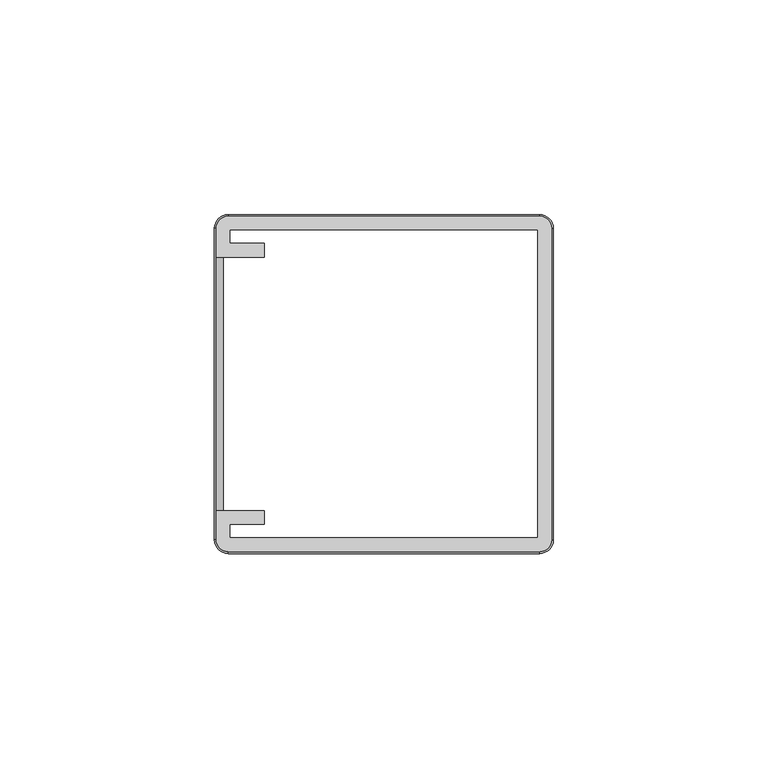
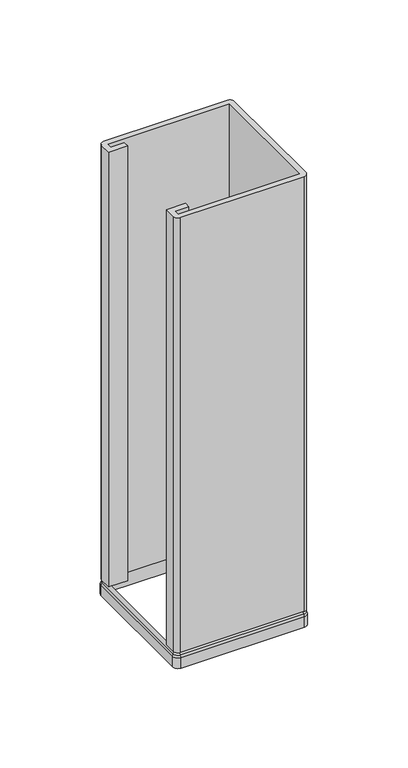
"""IFC4 building model written with IfcOpenShell, lengths in millimetres: furniture geometry."""

from ifc_helpers import new_model, si_unit, point, frame, frame_2d, origin, place, context, project, spatial, polyline, circle_curve, trimmed, segment, composite_curve, outline, extrude, source, transform, mapped, element, save
from ifc_brep_helpers import plane_surface, cylinder_surface, revolved_surface, advanced_brep


def furniture_345973ff(model_context):
    return source(origin(), model_context, "Body", "SolidModel", [
        advanced_brep(
        [(39.4985875, 36.3108875, 870.9421875), (36.3331141, 39.4985875, 870.9421875), (36.3331141, 39.4985875, 877.2686035), (39.4985875, 36.3108875, 877.2686035), (37.4968306, 36.3108875, 880.4671875), (36.319108, 37.4968796, 880.4671875), (36.319108, 37.4968796, 870.9421875), (37.4968306, 36.3108875, 870.9421875), (39.0605182, 36.3108875, 878.9035002), (36.330049, 39.0605289, 878.9035002), (39.4985875, -36.3331141, 877.2686035), (39.4985875, -36.3331141, 870.9421875), (37.4968306, -36.3331141, 870.9421875), (37.4968306, -36.3331141, 880.4671875), (39.0605182, -36.3331141, 878.9035002), (36.3331141, -39.4985875, 870.9421875), (36.3331141, -39.4985875, 877.2686035), (36.3331141, -37.4968306, 880.4671875), (36.3331141, -37.4968306, 870.9421875), (36.3331141, -39.0605182, 878.9035002), (-36.3108875, -39.4985875, 877.2686035), (-36.3108875, -39.4985875, 870.9421875), (-36.3108875, -37.4968306, 870.9421875), (-36.3108875, -37.4968306, 880.4671875), (-36.3108875, -39.0605182, 878.9035002), (-39.4985875, -36.3331141, 870.9421875), (-39.4985875, -36.3331141, 877.2686035), (-37.4968796, -36.319108, 880.4671875), (-37.4968796, -36.319108, 870.9421875), (-39.0605289, -36.330049, 878.9035002), (-39.4985875, 36.3108875, 877.2686035), (-39.4985875, 36.3108875, 870.9421875), (-37.4968306, 36.3108875, 870.9421875), (-37.4968306, 36.3108875, 880.4671875), (-39.0605182, 36.3108875, 878.9035002), (-36.3108875, 39.4985875, 870.9421875), (-36.3108875, 39.4985875, 877.2686035), (-36.3108875, 37.4968306, 880.4671875), (-36.3108875, 37.4968306, 870.9421875), (-36.3108875, 39.0605182, 878.9035002)],
        [
            (0, 1, circle_curve(frame((36.3108095, 36.3108875, 870.9421875), z_axis=(0.0, 0.0, 1.0), x_axis=(0.006996923640459943, 0.9999755212301797, 0.0)), 3.187778)),
            (1, 2),
            (2, 3, circle_curve(frame((36.3108095, 36.3108875, 877.2686035), z_axis=(0.0, 0.0, -1.0), x_axis=(0.006996923640459943, 0.9999755212301797, 0.0)), 3.187778)),
            (3, 0),
            (4, 5, circle_curve(frame((36.3108095, 36.3108875, 880.4671875), z_axis=(0.0, 0.0, 1.0), x_axis=(0.006996923640459943, 0.9999755212301797, 0.0)), 1.1860211)),
            (5, 6),
            (6, 7, circle_curve(frame((36.3108095, 36.3108875, 870.9421875), z_axis=(0.0, 0.0, -1.0), x_axis=(0.006996923640459943, 0.9999755212301797, 0.0)), 1.1860211)),
            (7, 4),
            (8, 9, circle_curve(frame((36.3108095, 36.3108875, 878.9035002), z_axis=(0.0, 0.0, 1.0), x_axis=(0.006996923640459943, 0.9999755212301797, 0.0)), 2.7497086)),
            (9, 5),
            (4, 8),
            (2, 9),
            (8, 3),
            (3, 10),
            (10, 11),
            (11, 0),
            (7, 12),
            (12, 13),
            (13, 4),
            (13, 14),
            (14, 8),
            (14, 10),
            (15, 11, circle_curve(frame((36.3331141, -36.3331141, 870.9421875), z_axis=(0.0, 0.0, 1.0), x_axis=(1.0, 0.0, 0.0)), 3.1654734)),
            (10, 16, circle_curve(frame((36.3331141, -36.3331141, 877.2686035), z_axis=(0.0, 0.0, -1.0), x_axis=(1.0, 0.0, 0.0)), 3.1654734)),
            (16, 15),
            (17, 13, circle_curve(frame((36.3331141, -36.3331141, 880.4671875), z_axis=(0.0, 0.0, 1.0), x_axis=(1.0, 0.0, 0.0)), 1.1637165)),
            (12, 18, circle_curve(frame((36.3331141, -36.3331141, 870.9421875), z_axis=(0.0, 0.0, -1.0), x_axis=(1.0, 0.0, 0.0)), 1.1637165)),
            (18, 17),
            (19, 14, circle_curve(frame((36.3331141, -36.3331141, 878.9035002), z_axis=(0.0, 0.0, 1.0), x_axis=(1.0, 0.0, 0.0)), 2.727404)),
            (17, 19),
            (19, 16),
            (16, 20),
            (20, 21),
            (21, 15),
            (18, 22),
            (22, 23),
            (23, 17),
            (23, 24),
            (24, 19),
            (24, 20),
            (25, 21, circle_curve(frame((-36.3108875, -36.3108095, 870.9421875), z_axis=(0.0, 0.0, 1.0), x_axis=(0.0, -1.0, 0.0)), 3.187778)),
            (20, 26, circle_curve(frame((-36.3108875, -36.3108095, 877.2686035), z_axis=(0.0, 0.0, -1.0), x_axis=(0.0, -1.0, 0.0)), 3.187778)),
            (26, 25),
            (27, 23, circle_curve(frame((-36.3108875, -36.3108095, 880.4671875), z_axis=(0.0, 0.0, 1.0), x_axis=(0.0, -1.0, 0.0)), 1.1860211)),
            (22, 28, circle_curve(frame((-36.3108875, -36.3108095, 870.9421875), z_axis=(0.0, 0.0, -1.0), x_axis=(0.0, -1.0, 0.0)), 1.1860211)),
            (28, 27),
            (29, 24, circle_curve(frame((-36.3108875, -36.3108095, 878.9035002), z_axis=(0.0, 0.0, 1.0), x_axis=(0.0, -1.0, 0.0)), 2.7497086)),
            (27, 29),
            (29, 26),
            (26, 30),
            (30, 31),
            (31, 25),
            (28, 32),
            (32, 33),
            (33, 27),
            (33, 34),
            (34, 29),
            (34, 30),
            (35, 31, circle_curve(frame((-36.3108875, 36.3108875, 870.9421875), z_axis=(0.0, 0.0, 1.0), x_axis=(-1.0, 0.0, 0.0)), 3.1877)),
            (30, 36, circle_curve(frame((-36.3108875, 36.3108875, 877.2686035), z_axis=(0.0, 0.0, -1.0), x_axis=(-1.0, 0.0, 0.0)), 3.1877)),
            (36, 35),
            (37, 33, circle_curve(frame((-36.3108875, 36.3108875, 880.4671875), z_axis=(0.0, 0.0, 1.0), x_axis=(-1.0, 0.0, 0.0)), 1.1859431)),
            (32, 38, circle_curve(frame((-36.3108875, 36.3108875, 870.9421875), z_axis=(0.0, 0.0, -1.0), x_axis=(-1.0, 0.0, 0.0)), 1.1859431)),
            (38, 37),
            (39, 34, circle_curve(frame((-36.3108875, 36.3108875, 878.9035002), z_axis=(0.0, 0.0, 1.0), x_axis=(-1.0, 0.0, 0.0)), 2.7496306)),
            (37, 39),
            (39, 36),
            (36, 2),
            (1, 35),
            (6, 38),
            (5, 37),
            (9, 39),
        ],
        [
            cylinder_surface(frame((36.3108095, 36.3108875, 880.4671875), z_axis=(0.0, 0.0, -1.0), x_axis=(0.006996923640459943, 0.9999755212301797, 0.0)), 3.187778),
            revolved_surface(polyline([(36.31910799907267, 37.49687956766249, 870.9421875), (36.31910799907267, 37.49687956766249, 880.4671875)]), (36.3108095, 36.3108875, 880.4671875), (0.0, 0.0, -1.0)),
            revolved_surface(polyline([(36.319108, 37.4968796, 880.4671873), (36.330049, 39.0605289, 878.9035002)]), (36.3108095, 36.3108875, 880.4671875), (0.0, 0.0, -1.0)),
            revolved_surface(polyline([(36.330049, 39.0605289, 878.9035002), (36.3331141, 39.4985875, 877.2686035)]), (36.3108095, 36.3108875, 880.4671875), (0.0, 0.0, -1.0)),
            plane_surface(frame((39.4985875, 36.3108875, 877.2686035), z_axis=(1.0, 0.0, 0.0), x_axis=(0.0, -1.0, 0.0))),
            plane_surface(frame((37.4968306, 36.3108875, 870.9421875), z_axis=(-1.0, 0.0, 0.0), x_axis=(0.0, -1.0, 0.0))),
            plane_surface(frame((37.4968306, 36.3108875, 880.4671873), z_axis=(0.707106692127268, 0.0, 0.7071068702458161), x_axis=(0.0, -1.0, 0.0))),
            plane_surface(frame((39.0605182, 36.3108875, 878.9035002), z_axis=(0.9659258119020668, 0.0, 0.2588190987955354), x_axis=(0.0, -1.0, 0.0))),
            cylinder_surface(frame((36.3331141, -36.3331141, 880.4671875), z_axis=(0.0, 0.0, -1.0), x_axis=(1.0, 0.0, 0.0)), 3.1654734),
            revolved_surface(polyline([(37.4968306, -36.3331141, 870.9421875), (37.4968306, -36.3331141, 880.4671875)]), (36.3331141, -36.3331141, 880.4671875), (0.0, 0.0, -1.0)),
            revolved_surface(polyline([(37.4968306, -36.3331141, 880.4671873), (39.0605182, -36.3331141, 878.9035002)]), (36.3331141, -36.3331141, 880.4671875), (0.0, 0.0, -1.0)),
            revolved_surface(polyline([(39.0605182, -36.3331141, 878.9035002), (39.4985875, -36.3331141, 877.2686035)]), (36.3331141, -36.3331141, 880.4671875), (0.0, 0.0, -1.0)),
            plane_surface(frame((36.3331141, -39.4985875, 877.2686035), z_axis=(0.0, -1.0, 0.0), x_axis=(-1.0, 0.0, 0.0))),
            plane_surface(frame((36.3331141, -37.4968306, 870.9421875), z_axis=(0.0, 1.0, 0.0), x_axis=(-1.0, 0.0, 0.0))),
            plane_surface(frame((36.3331141, -37.4968306, 880.4671873), z_axis=(0.0, -0.7071066921272655, 0.7071068702458183), x_axis=(-1.0, 0.0, 0.0))),
            plane_surface(frame((36.3331141, -39.0605182, 878.9035002), z_axis=(0.0, -0.965925811902066, 0.2588190987955385), x_axis=(-1.0, 0.0, 0.0))),
            cylinder_surface(frame((-36.3108875, -36.3108095, 880.4671875), z_axis=(0.0, 0.0, -1.0), x_axis=(0.0, -1.0, 0.0)), 3.187778),
            revolved_surface(polyline([(-36.3108875, -37.496830599999996, 870.9421875), (-36.3108875, -37.496830599999996, 880.4671875)]), (-36.3108875, -36.3108095, 880.4671875), (0.0, 0.0, -1.0)),
            revolved_surface(polyline([(-36.3108875, -37.4968306, 880.4671873), (-36.3108875, -39.0605182, 878.9035002)]), (-36.3108875, -36.3108095, 880.4671875), (0.0, 0.0, -1.0)),
            revolved_surface(polyline([(-36.3108875, -39.0605182, 878.9035002), (-36.3108875, -39.4985875, 877.2686035)]), (-36.3108875, -36.3108095, 880.4671875), (0.0, 0.0, -1.0)),
            plane_surface(frame((-39.4985875, -36.3331141, 877.2686035), z_axis=(-1.0, 0.0, 0.0), x_axis=(0.0, 1.0, 0.0))),
            plane_surface(frame((-37.4968306, -36.3191077, 870.9421875), z_axis=(1.0, 0.0, 0.0), x_axis=(0.0, 1.0, 0.0))),
            plane_surface(frame((-37.4968306, -36.3191077, 880.4671873), z_axis=(-0.7071066921272633, 0.0, 0.7071068702458206), x_axis=(0.0, 1.0, 0.0))),
            plane_surface(frame((-39.0605182, -36.3300489, 878.9035002), z_axis=(-0.9659258119020653, 0.0, 0.2588190987955416), x_axis=(0.0, 1.0, 0.0))),
            cylinder_surface(frame((-36.3108875, 36.3108875, 880.4671875), z_axis=(0.0, 0.0, -1.0), x_axis=(-1.0, 0.0, 0.0)), 3.1877),
            revolved_surface(polyline([(-37.4968306, 36.3108875, 870.9421875), (-37.4968306, 36.3108875, 880.4671875)]), (-36.3108875, 36.3108875, 880.4671875), (0.0, 0.0, -1.0)),
            revolved_surface(polyline([(-37.4968306, 36.3108875, 880.4671873), (-39.0605182, 36.3108875, 878.9035002)]), (-36.3108875, 36.3108875, 880.4671875), (0.0, 0.0, -1.0)),
            revolved_surface(polyline([(-39.0605182, 36.3108875, 878.9035002), (-39.4985875, 36.3108875, 877.2686035)]), (-36.3108875, 36.3108875, 880.4671875), (0.0, 0.0, -1.0)),
            plane_surface(frame((-36.3108875, 39.4985875, 877.2686035), z_axis=(0.0, 1.0, 0.0), x_axis=(1.0, 0.0, 0.0))),
            plane_surface(frame((-36.3108875, 39.4985875, 870.9421875), z_axis=(0.0, 0.0, -1.0), x_axis=(1.0, 0.0, 0.0))),
            plane_surface(frame((-36.3108875, 37.4968306, 870.9421875), z_axis=(0.0, -1.0, 0.0), x_axis=(1.0, 0.0, 0.0))),
            plane_surface(frame((-36.3108875, 37.4968306, 880.4671873), z_axis=(0.0, 0.7071066921272656, 0.7071068702458183), x_axis=(1.0, 0.0, 0.0))),
            plane_surface(frame((-36.3108875, 39.0605182, 878.9035002), z_axis=(0.0, 0.965925811902066, 0.25881909879553844), x_axis=(1.0, 0.0, 0.0))),
        ],
        [
            (0, [[1, 2, 3, 4]]),
            (1, [[5, 6, 7, 8]]),
            (2, [[9, 10, -5, 11]]),
            (3, [[-3, 12, -9, 13]]),
            (4, [[-4, 14, 15, 16]]),
            (5, [[-8, 17, 18, 19]]),
            (6, [[-11, -19, 20, 21]]),
            (7, [[-13, -21, 22, -14]]),
            (8, [[23, -15, 24, 25]]),
            (9, [[26, -18, 27, 28]]),
            (10, [[29, -20, -26, 30]]),
            (11, [[-24, -22, -29, 31]]),
            (12, [[-25, 32, 33, 34]]),
            (13, [[-28, 35, 36, 37]]),
            (14, [[-30, -37, 38, 39]]),
            (15, [[-31, -39, 40, -32]]),
            (16, [[41, -33, 42, 43]]),
            (17, [[44, -36, 45, 46]]),
            (18, [[47, -38, -44, 48]]),
            (19, [[-42, -40, -47, 49]]),
            (20, [[-43, 50, 51, 52]]),
            (21, [[-46, 53, 54, 55]]),
            (22, [[-48, -55, 56, 57]]),
            (23, [[-49, -57, 58, -50]]),
            (24, [[59, -51, 60, 61]]),
            (25, [[62, -54, 63, 64]]),
            (26, [[65, -56, -62, 66]]),
            (27, [[-60, -58, -65, 67]]),
            (28, [[-61, 68, -2, 69]]),
            (29, [[-52, -59, -69, -1, -16, -23, -34, -41], [70, -63, -53, -45, -35, -27, -17, -7]]),
            (30, [[-64, -70, -6, 71]]),
            (31, [[-66, -71, -10, 72]]),
            (32, [[-67, -72, -12, -68]]),
        ],
    ),
        extrude(outline(composite_curve([segment(polyline([(-39.0921875, 29.5671875), (-39.0921875, 36.3108875)]), True, "CONTINUOUS"), segment(trimmed(circle_curve(frame_2d((-36.3108875, 36.3108875)), 2.7813), [point((-39.0921875, 36.3108875))], [point((-36.3108875, 39.0921875))], False, "CARTESIAN"), True, "CONTINUOUS"), segment(polyline([(-36.3108875, 39.0921875), (36.3331141, 39.0921875)]), True, "CONTINUOUS"), segment(trimmed(circle_curve(frame_2d((36.310798, 36.3108875)), 2.7813895), [point((36.3331141, 39.0921875))], [point((39.0921875, 36.3108875))], False, "CARTESIAN"), True, "CONTINUOUS"), segment(polyline([(39.0921875, 36.3108875), (39.0921875, -36.3331141)]), True, "CONTINUOUS"), segment(trimmed(circle_curve(frame_2d((36.3331141, -36.3331141)), 2.7590734), [point((39.0921875, -36.3331141))], [point((36.3331141, -39.0921875))], False, "CARTESIAN"), True, "CONTINUOUS"), segment(polyline([(36.3331141, -39.0921875), (-36.3108875, -39.0921875)]), True, "CONTINUOUS"), segment(trimmed(circle_curve(frame_2d((-36.3330253, -36.3331141)), 2.7591622), [point((-36.3108875, -39.0921875))], [point((-39.0921875, -36.3331141))], False, "CARTESIAN"), True, "CONTINUOUS"), segment(polyline([(-39.0921875, -36.3331141), (-39.0921875, -29.5671875), (-27.9161879, -29.5671875), (-27.9161879, -32.7421875), (-35.9171875, -32.7421875), (-35.9171875, -35.9171875), (35.9171875, -35.9171875), (35.9171875, 35.9171875), (-35.9171875, 35.9171875), (-35.9171875, 32.7421875), (-27.9161879, 32.7421875), (-27.9161879, 29.5671875), (-39.0921875, 29.5671875)]), True, "CONTINUOUS")], self_intersect=False)), frame((0.0, 0.0, 880.4671875), z_axis=(0.0, 0.0, 1.0), x_axis=(1.0, 0.0, 0.0)), (0.0, 0.0, 1.0), 270.3710938),
    ])


if __name__ == "__main__":
    model = new_model("IFC4")
    model_context = context("Model", 3, world=origin())
    ifc_project = project(units=[si_unit("LENGTHUNIT", "METRE", prefix="MILLI")], contexts=[model_context])
    site = spatial("IfcSite", under=ifc_project)
    building = spatial("IfcBuilding", under=site)
    placement = place(None, origin())
    furniture_shape = furniture_345973ff(model_context)
    element("IfcFurniture", 1, at=placement, inside=building, context=model_context, shape_type="MappedRepresentation", body=[
        mapped(furniture_shape, transform((0.0, 0.0, 0.0), x_axis=(1.0, 0.0, 0.0), y_axis=(0.0, 1.0, 0.0), z_axis=(0.0, 0.0, 1.0))),
    ])
    save(model, "model.ifc")
